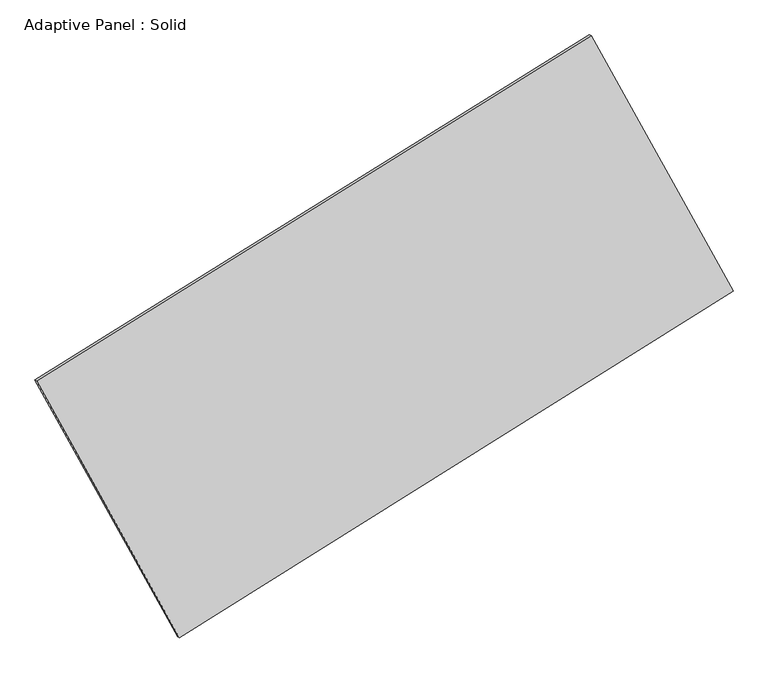
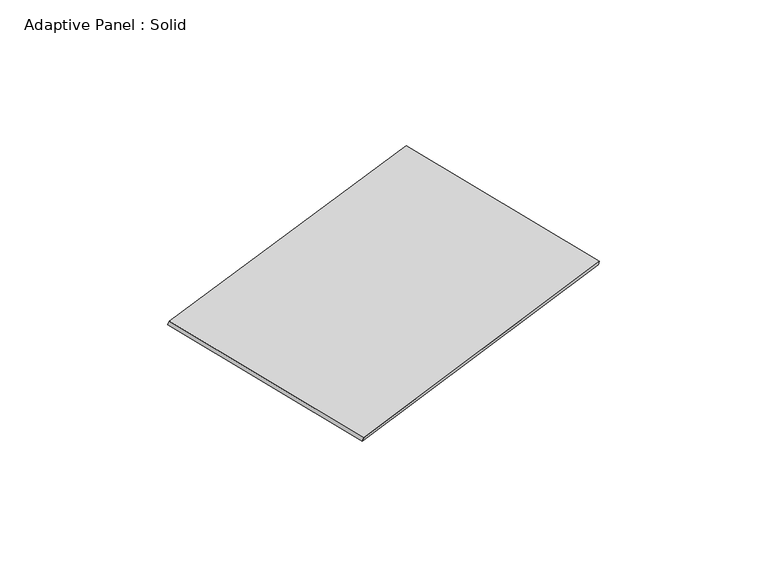
"""IFC4 building model written with IfcOpenShell, lengths in millimetres: plate geometry, Adaptive Panel : Solid."""

from ifc_helpers import new_model, si_unit, frame, origin, place, context, project, spatial, polyline, outline, extrude, source, transform, mapped, element, save


def adaptive_panel_solid_3d63278a(model_context):
    return source(origin(), model_context, "Body", "SweptSolid", [
        extrude(outline(polyline([(-1337.5496044, 2941.1864093), (1337.5496045, 2941.1864093), (1345.9517165, -2941.1864094), (-1345.9517165, -2941.1864094), (-1337.5496044, 2941.1864093)])), frame((-650.8226445, -100.0621432, 871.2806301), z_axis=(0.2933271166111763, -0.12760186928687176, 0.9474581603506665), x_axis=(0.4692508267868423, -0.8442360202448234, -0.25897722618224017)), (0.0, 0.0, 1.0), 50.0),
    ])


if __name__ == "__main__":
    model = new_model("IFC4")
    model_context = context("Model", 3, world=origin())
    ifc_project = project(units=[si_unit("LENGTHUNIT", "METRE", prefix="MILLI")], contexts=[model_context])
    site = spatial("IfcSite", under=ifc_project)
    building = spatial("IfcBuilding", under=site)
    placement = place(None, origin())
    adaptive_panel_solid_shape = adaptive_panel_solid_3d63278a(model_context)
    element("IfcPlate", 1, ObjectType="Adaptive Panel : Solid", at=placement, inside=building, context=model_context, shape_type="MappedRepresentation", body=[
        mapped(adaptive_panel_solid_shape, transform((0.0, 0.0, 0.0), x_axis=(1.0, 0.0, 0.0), y_axis=(0.0, 1.0, 0.0), z_axis=(0.0, 0.0, 1.0))),
    ])
    save(model, "model.ifc")
